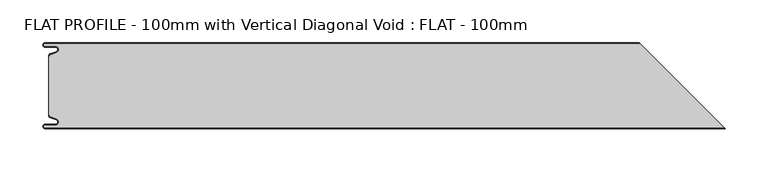
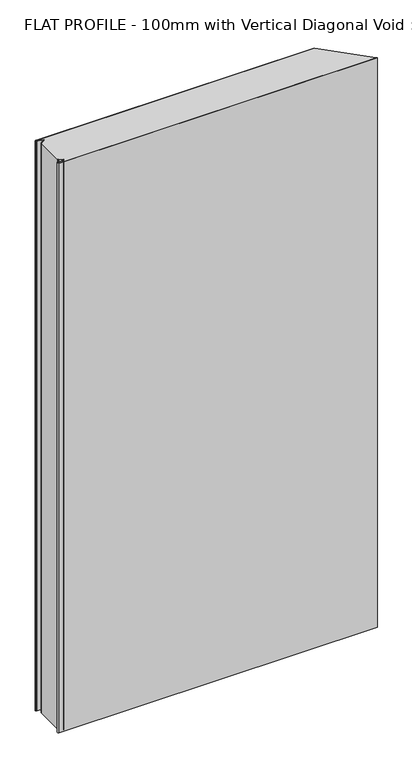
"""IFC4 building model written with IfcOpenShell, lengths in millimetres: proxy geometry, FLAT PROFILE - 100mm with Vertical Diagonal Void : FLAT - 100mm."""

from ifc_helpers import new_model, si_unit, point, frame_2d, origin, origin_with_axes, place, context, project, spatial, polyline, circle_curve, trimmed, segment, composite_curve, outline, extrude, source, transform, mapped, element, save


def flat_profile_100mm_with_vertical_diagonal_void_flat_100mm_01470759(model_context):
    return source(origin(), model_context, "Body", "SweptSolid", [
        extrude(outline(composite_curve([segment(polyline([(-591.3794419, 36.1128969), (-589.3904999, 36.9138856), (-583.8995097, 38.9124426)]), True, "CONTINUOUS"), segment(trimmed(circle_curve(frame_2d((-585.2882153, 42.3376495)), 3.6960175), [point((-583.8995097, 38.9124426))], [point((-584.9273771, 46.0160107))], True, "CARTESIAN"), True, "CONTINUOUS"), segment(polyline([(-584.9273771, 46.0160107), (-597.3733883, 46.0160107)]), True, "CONTINUOUS"), segment(trimmed(circle_curve(frame_2d((-597.4921978, 47.511298)), 1.5), [point((-597.3733883, 46.0160107))], [point((-597.3084562, 49.0000019))], False, "CARTESIAN"), True, "CONTINUOUS"), segment(polyline([(-597.3084562, 49.0000019), (96.9833606, 49.0000019), (194.9833606, -48.9999981), (-597.3084562, -48.9999981)]), True, "CONTINUOUS"), segment(trimmed(circle_curve(frame_2d((-597.4921978, -47.5112943)), 1.5), [point((-597.3084562, -48.9999981))], [point((-597.3733883, -46.016007))], False, "CARTESIAN"), True, "CONTINUOUS"), segment(polyline([(-597.3733883, -46.016007), (-584.9273771, -46.016007)]), True, "CONTINUOUS"), segment(trimmed(circle_curve(frame_2d((-585.2882153, -42.3376458)), 3.6960175), [point((-584.9273771, -46.016007))], [point((-583.8995097, -38.9124389))], True, "CARTESIAN"), True, "CONTINUOUS"), segment(polyline([(-583.8995097, -38.9124389), (-589.3904999, -36.9138819), (-591.3794419, -36.1128932)]), True, "CONTINUOUS"), segment(trimmed(circle_curve(frame_2d((-591.0050311, -35.1831907)), 1.0022625), [point((-591.3794419, -36.1128932))], [point((-591.9881924, -35.3779319))], False, "CARTESIAN"), True, "CONTINUOUS"), segment(polyline([(-591.9881924, -35.3779319), (-591.9881924, -34.2522214), (-592.9881924, -34.2522214), (-592.9881924, 34.2522214), (-591.9881924, 34.2522214), (-591.9881924, 35.3779357)]), True, "CONTINUOUS"), segment(trimmed(circle_curve(frame_2d((-591.0050311, 35.1831944)), 1.0022625), [point((-591.9881924, 35.3779357))], [point((-591.3794419, 36.1128969))], False, "CARTESIAN"), True, "CONTINUOUS")], self_intersect=False)), origin_with_axes(), (0.0, 0.0, 1.0), 1500.0),
        extrude(outline(composite_curve([segment(trimmed(circle_curve(frame_2d((-591.0050311, 35.1831944)), 1.0022625), [point((-591.3794419, 36.1128969))], [point((-591.9881924, 35.3779357))], True, "CARTESIAN"), True, "CONTINUOUS"), segment(polyline([(-591.9881924, 35.3779357), (-591.9881924, 34.2522214), (-592.9881924, 34.2522214), (-592.9881924, 35.4591051)]), True, "CONTINUOUS"), segment(trimmed(circle_curve(frame_2d((-591.0050311, 35.1831944)), 2.0022625), [point((-592.9881924, 35.4591051))], [point((-591.7530074, 37.0405007))], False, "CARTESIAN"), True, "CONTINUOUS"), segment(polyline([(-591.7530074, 37.0405007), (-589.7483949, 37.8478003), (-584.2598383, 39.8454715)]), True, "CONTINUOUS"), segment(trimmed(circle_curve(frame_2d((-585.2882153, 42.3376495)), 2.6960175), [point((-584.2598383, 39.8454715))], [point((-584.9801705, 45.0160107))], True, "CARTESIAN"), True, "CONTINUOUS"), segment(polyline([(-584.9801705, 45.0160107), (-597.3387672, 45.0160107)]), True, "CONTINUOUS"), segment(trimmed(circle_curve(frame_2d((-597.4921978, 47.511298)), 2.5), [point((-597.3387672, 45.0160107))], [point((-597.2548091, 50.0000019))], False, "CARTESIAN"), True, "CONTINUOUS"), segment(polyline([(-597.2548091, 50.0000019), (95.9833606, 50.0000019), (96.9833606, 49.0000019), (-597.3084562, 49.0000019)]), True, "CONTINUOUS"), segment(trimmed(circle_curve(frame_2d((-597.4921978, 47.511298)), 1.5), [point((-597.3084562, 49.0000019))], [point((-597.3733883, 46.0160107))], True, "CARTESIAN"), True, "CONTINUOUS"), segment(polyline([(-597.3733883, 46.0160107), (-584.9273771, 46.0160107)]), True, "CONTINUOUS"), segment(trimmed(circle_curve(frame_2d((-585.2882153, 42.3376495)), 3.6960175), [point((-584.9273771, 46.0160107))], [point((-583.8995097, 38.9124426))], False, "CARTESIAN"), True, "CONTINUOUS"), segment(polyline([(-583.8995097, 38.9124426), (-589.3904999, 36.9138856), (-591.3794419, 36.1128969)]), True, "CONTINUOUS")], self_intersect=False)), origin_with_axes(), (0.0, 0.0, 1.0), 1500.0),
        extrude(outline(composite_curve([segment(polyline([(-591.3794419, -36.1128932), (-589.3904999, -36.9138819), (-583.8995097, -38.9124389)]), True, "CONTINUOUS"), segment(trimmed(circle_curve(frame_2d((-585.2882153, -42.3376458)), 3.6960175), [point((-583.8995097, -38.9124389))], [point((-584.9273771, -46.016007))], False, "CARTESIAN"), True, "CONTINUOUS"), segment(polyline([(-584.9273771, -46.016007), (-597.3733883, -46.016007)]), True, "CONTINUOUS"), segment(trimmed(circle_curve(frame_2d((-597.4921978, -47.5112943)), 1.5), [point((-597.3733883, -46.016007))], [point((-597.3084562, -48.9999981))], True, "CARTESIAN"), True, "CONTINUOUS"), segment(polyline([(-597.3084562, -48.9999981), (194.9833606, -48.9999981), (195.9833606, -49.9999981), (-597.2548091, -49.9999981)]), True, "CONTINUOUS"), segment(trimmed(circle_curve(frame_2d((-597.4921978, -47.5112943)), 2.5), [point((-597.2548091, -49.9999981))], [point((-597.3387672, -45.016007))], False, "CARTESIAN"), True, "CONTINUOUS"), segment(polyline([(-597.3387672, -45.016007), (-584.9801705, -45.016007)]), True, "CONTINUOUS"), segment(trimmed(circle_curve(frame_2d((-585.2882153, -42.3376458)), 2.6960175), [point((-584.9801705, -45.016007))], [point((-584.2598383, -39.8454678))], True, "CARTESIAN"), True, "CONTINUOUS"), segment(polyline([(-584.2598383, -39.8454678), (-589.7483949, -37.8477966), (-591.7530074, -37.040497)]), True, "CONTINUOUS"), segment(trimmed(circle_curve(frame_2d((-591.0050311, -35.1831907)), 2.0022625), [point((-591.7530074, -37.040497))], [point((-592.9881924, -35.4591014))], False, "CARTESIAN"), True, "CONTINUOUS"), segment(polyline([(-592.9881924, -35.4591014), (-592.9881924, -34.2522177), (-591.9881924, -34.2522177), (-591.9881924, -35.3779319)]), True, "CONTINUOUS"), segment(trimmed(circle_curve(frame_2d((-591.0050311, -35.1831907)), 1.0022625), [point((-591.9881924, -35.3779319))], [point((-591.3794419, -36.1128932))], True, "CARTESIAN"), True, "CONTINUOUS")], self_intersect=False)), origin_with_axes(), (0.0, 0.0, 1.0), 1500.0),
    ])


if __name__ == "__main__":
    model = new_model("IFC4")
    model_context = context("Model", 3, world=origin())
    ifc_project = project(units=[si_unit("LENGTHUNIT", "METRE", prefix="MILLI")], contexts=[model_context])
    site = spatial("IfcSite", under=ifc_project)
    building = spatial("IfcBuilding", under=site)
    placement = place(None, origin())
    flat_profile_100mm_with_vertical_diagonal_void_flat_100mm_shape = flat_profile_100mm_with_vertical_diagonal_void_flat_100mm_01470759(model_context)
    element("IfcBuildingElementProxy", 1, Name="FLAT PROFILE - 100mm with Vertical Diagonal Void : FLAT - 100mm", ObjectType="FLAT PROFILE - 100mm with Vertical Diagonal Void : FLAT - 100mm", at=placement, inside=building, context=model_context, shape_type="MappedRepresentation", body=[
        mapped(flat_profile_100mm_with_vertical_diagonal_void_flat_100mm_shape, transform((0.0, 0.0, 0.0), x_axis=(1.0, 0.0, 0.0), y_axis=(0.0, 1.0, 0.0), z_axis=(0.0, 0.0, 1.0))),
    ])
    save(model, "model.ifc")
